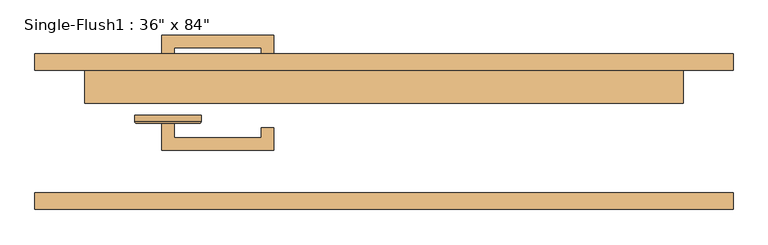
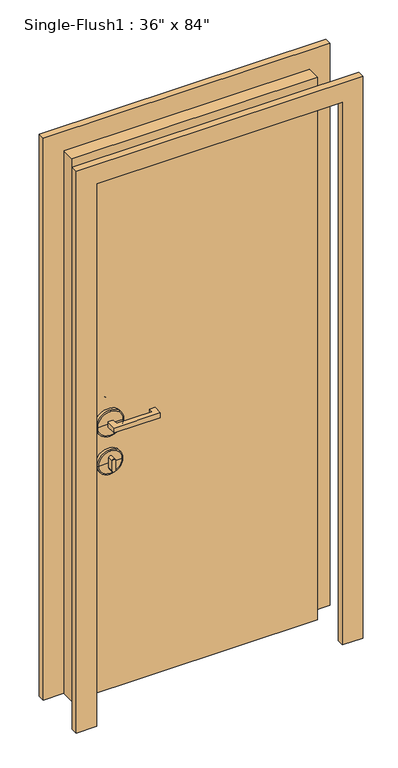
"""IFC4 building model written with IfcOpenShell, lengths in millimetres: door geometry."""

from ifc_helpers import new_model, si_unit, point, frame, frame_2d, origin, origin_with_axes, place, context, project, spatial, polyline, circle_curve, ellipse_curve, trimmed, segment, composite_curve, outline, extrude, source, transform, mapped, element, save
from ifc_brep_helpers import plane_surface, cylinder_surface, revolved_surface, advanced_brep


def door_00182edb(model_context):
    return source(origin(), model_context, "Body", "SolidModel", [
        extrude(outline(polyline([(-320.675, 12.7), (-320.675, -9.525), (-187.325, -9.525), (-187.325, 6.35), (-168.275, 6.35), (-168.275, -28.575), (-339.725, -28.575), (-339.725, 12.7), (-320.675, 12.7)])), frame((0.0, 0.0, 1057.275), z_axis=(0.0, 0.0, 1.0), x_axis=(1.0, 0.0, 0.0)), (0.0, 0.0, 1.0), 19.05),
        extrude(outline(composite_curve([segment(trimmed(circle_curve(frame_2d((895.35, -330.2)), 6.35), [point((895.35, -336.55))], [point((895.35, -323.85))], False, "CARTESIAN"), True, "CONTINUOUS"), segment(polyline([(895.35, -323.85), (933.45, -323.85)]), True, "CONTINUOUS"), segment(trimmed(circle_curve(frame_2d((933.45, -330.2)), 6.35), [point((933.45, -323.85))], [point((933.45, -336.55))], False, "CARTESIAN"), True, "CONTINUOUS"), segment(polyline([(933.45, -336.55), (895.35, -336.55)]), True, "CONTINUOUS")], self_intersect=False)), frame((0.0, -9.525, 0.0), z_axis=(0.0, 1.0, 0.0), x_axis=(0.0, 0.0, 1.0)), (0.0, 0.0, 1.0), 22.225),
        advanced_brep(
        [(-282.575, 15.875, 914.4), (-282.575, 25.4, 914.4), (-377.825, 25.4, 914.4), (-377.825, 15.875, 914.4), (-285.75, 12.7, 914.4), (-374.65, 12.7, 914.4), (-330.2, 12.7, 914.4), (-330.2, 25.4, 914.4)],
        [
            (0, 1),
            (1, 2, circle_curve(frame((-330.2, 25.4, 914.4), z_axis=(0.0, -1.0, 0.0), x_axis=(-1.0, 0.0, 0.0)), 47.625)),
            (2, 3),
            (3, 0, circle_curve(frame((-330.2, 15.875, 914.4), z_axis=(0.0, 1.0, 0.0), x_axis=(-1.0, 0.0, 0.0)), 47.625)),
            (2, 1, circle_curve(frame((-330.2, 25.4, 914.4), z_axis=(0.0, -1.0, 0.0), x_axis=(-1.0, 0.0, 0.0)), 47.625)),
            (0, 3, circle_curve(frame((-330.2, 15.875, 914.4), z_axis=(0.0, 1.0, 0.0), x_axis=(-1.0, 0.0, 0.0)), 47.625)),
            (4, 0, circle_curve(frame((-285.75, 15.875, 914.4), z_axis=(0.0, 0.0, 1.0), x_axis=(-1.0, 0.0, 0.0)), 3.175)),
            (3, 5, circle_curve(frame((-374.65, 15.875, 914.4), z_axis=(0.0, 0.0, 1.0), x_axis=(1.0, 0.0, 0.0)), 3.175)),
            (5, 4, circle_curve(frame((-330.2, 12.7, 914.4), z_axis=(0.0, 1.0, 0.0), x_axis=(-1.0, 0.0, 0.0)), 44.45)),
            (4, 5, circle_curve(frame((-330.2, 12.7, 914.4), z_axis=(0.0, 1.0, 0.0), x_axis=(-1.0, 0.0, 0.0)), 44.45)),
            (6, 4),
            (5, 6),
            (1, 7),
            (7, 2),
        ],
        [
            cylinder_surface(frame((-330.2, 152.4, 914.4), z_axis=(0.0, -1.0, 0.0), x_axis=(-1.0, 0.0, 0.0)), 47.625),
            revolved_surface(trimmed(ellipse_curve(frame((-374.65, 15.875, 914.4), z_axis=(0.0, 0.0, 1.0), x_axis=(1.0, 0.0, 0.0)), 3.175, 3.175), [point((-377.825, 15.875, 914.4))], [point((-374.65, 12.7, 914.4))], True, "CARTESIAN"), (-330.2, 152.4, 914.4), (0.0, -1.0, 0.0)),
            plane_surface(frame((-330.2, 12.7, 914.4), z_axis=(0.0, -1.0, 0.0), x_axis=(-1.0, 0.0, 0.0))),
            plane_surface(frame((-330.2, 25.4, 914.4), z_axis=(0.0, 1.0, 0.0), x_axis=(-1.0, 0.0, 0.0))),
        ],
        [
            (0, [[1, 2, 3, 4]]),
            (0, [[-3, 5, -1, 6]]),
            (1, [[7, -4, 8, 9]]),
            (1, [[-8, -6, -7, 10]]),
            (2, [[11, -9, 12]]),
            (2, [[-12, -10, -11]]),
            (3, [[13, 14, -2]]),
            (3, [[-14, -13, -5]]),
        ],
    ),
        advanced_brep(
        [(-279.4, 15.875, 1066.8), (-279.4, 25.4, 1066.8), (-381.0, 25.4, 1066.8), (-381.0, 15.875, 1066.8), (-282.575, 12.7, 1066.8), (-377.825, 12.7, 1066.8), (-330.2, 12.7, 1066.8), (-330.2, 25.4, 1066.8)],
        [
            (0, 1),
            (1, 2, circle_curve(frame((-330.2, 25.4, 1066.8), z_axis=(0.0, -1.0, 0.0), x_axis=(-1.0, 0.0, 0.0)), 50.8)),
            (2, 3),
            (3, 0, circle_curve(frame((-330.2, 15.875, 1066.8), z_axis=(0.0, 1.0, 0.0), x_axis=(-1.0, 0.0, 0.0)), 50.8)),
            (2, 1, circle_curve(frame((-330.2, 25.4, 1066.8), z_axis=(0.0, -1.0, 0.0), x_axis=(-1.0, 0.0, 0.0)), 50.8)),
            (0, 3, circle_curve(frame((-330.2, 15.875, 1066.8), z_axis=(0.0, 1.0, 0.0), x_axis=(-1.0, 0.0, 0.0)), 50.8)),
            (4, 0, circle_curve(frame((-282.575, 15.875, 1066.8), z_axis=(0.0, 0.0, 1.0), x_axis=(-1.0, 0.0, 0.0)), 3.175)),
            (3, 5, circle_curve(frame((-377.825, 15.875, 1066.8), z_axis=(0.0, 0.0, 1.0), x_axis=(1.0, 0.0, 0.0)), 3.175)),
            (5, 4, circle_curve(frame((-330.2, 12.7, 1066.8), z_axis=(0.0, 1.0, 0.0), x_axis=(-1.0, 0.0, 0.0)), 47.625)),
            (4, 5, circle_curve(frame((-330.2, 12.7, 1066.8), z_axis=(0.0, 1.0, 0.0), x_axis=(-1.0, 0.0, 0.0)), 47.625)),
            (6, 4),
            (5, 6),
            (1, 7),
            (7, 2),
        ],
        [
            cylinder_surface(frame((-330.2, 152.4, 1066.8), z_axis=(0.0, -1.0, 0.0), x_axis=(-1.0, 0.0, 0.0)), 50.8),
            revolved_surface(trimmed(ellipse_curve(frame((-377.825, 15.875, 1066.8), z_axis=(0.0, 0.0, 1.0), x_axis=(1.0, 0.0, 0.0)), 3.175, 3.175), [point((-381.0, 15.875, 1066.8))], [point((-377.825, 12.7, 1066.8))], True, "CARTESIAN"), (-330.2, 152.4, 1066.8), (0.0, -1.0, 0.0)),
            plane_surface(frame((-330.2, 12.7, 1066.8), z_axis=(0.0, -1.0, 0.0), x_axis=(-1.0, 0.0, 0.0))),
            plane_surface(frame((-330.2, 25.4, 1066.8), z_axis=(0.0, 1.0, 0.0), x_axis=(-1.0, 0.0, 0.0))),
        ],
        [
            (0, [[1, 2, 3, 4]]),
            (0, [[-3, 5, -1, 6]]),
            (1, [[7, -4, 8, 9]]),
            (1, [[-8, -6, -7, 10]]),
            (2, [[11, -9, 12]]),
            (2, [[-12, -10, -11]]),
            (3, [[13, 14, -2]]),
            (3, [[-14, -13, -5]]),
        ],
    ),
        extrude(outline(polyline([(-320.675, 106.3625), (-339.725, 106.3625), (-339.725, 147.6375), (-168.275, 147.6375), (-168.275, 112.7125), (-187.325, 112.7125), (-187.325, 128.5875), (-320.675, 128.5875), (-320.675, 106.3625)])), frame((0.0, 0.0, 1057.275), z_axis=(0.0, 0.0, 1.0), x_axis=(1.0, 0.0, 0.0)), (0.0, 0.0, 1.0), 19.05),
        extrude(outline(composite_curve([segment(trimmed(circle_curve(frame_2d((895.35, -330.2)), 6.35), [point((895.35, -336.55))], [point((895.35, -323.85))], False, "CARTESIAN"), True, "CONTINUOUS"), segment(polyline([(895.35, -323.85), (933.45, -323.85)]), True, "CONTINUOUS"), segment(trimmed(circle_curve(frame_2d((933.45, -330.2)), 6.35), [point((933.45, -323.85))], [point((933.45, -336.55))], False, "CARTESIAN"), True, "CONTINUOUS"), segment(polyline([(933.45, -336.55), (895.35, -336.55)]), True, "CONTINUOUS")], self_intersect=False)), frame((0.0, 106.3625, 0.0), z_axis=(0.0, 1.0, 0.0), x_axis=(0.0, 0.0, 1.0)), (0.0, 0.0, 1.0), 22.225),
        advanced_brep(
        [(-282.575, 103.1875, 914.4), (-377.825, 103.1875, 914.4), (-377.825, 93.6625, 914.4), (-282.575, 93.6625, 914.4), (-285.75, 106.3625, 914.4), (-374.65, 106.3625, 914.4), (-330.2, 106.3625, 914.4), (-330.2, 93.6625, 914.4)],
        [
            (0, 1, circle_curve(frame((-330.2, 103.1875, 914.4), z_axis=(0.0, -1.0, 0.0), x_axis=(-1.0, 0.0, 0.0)), 47.625)),
            (1, 2),
            (2, 3, circle_curve(frame((-330.2, 93.6625, 914.4), z_axis=(0.0, 1.0, 0.0), x_axis=(-1.0, 0.0, 0.0)), 47.625)),
            (3, 0),
            (1, 0, circle_curve(frame((-330.2, 103.1875, 914.4), z_axis=(0.0, -1.0, 0.0), x_axis=(-1.0, 0.0, 0.0)), 47.625)),
            (3, 2, circle_curve(frame((-330.2, 93.6625, 914.4), z_axis=(0.0, 1.0, 0.0), x_axis=(-1.0, 0.0, 0.0)), 47.625)),
            (4, 5, circle_curve(frame((-330.2, 106.3625, 914.4), z_axis=(0.0, -1.0, 0.0), x_axis=(-1.0, 0.0, 0.0)), 44.45)),
            (5, 1, circle_curve(frame((-374.65, 103.1875, 914.4), z_axis=(0.0, 0.0, 1.0), x_axis=(1.0, 0.0, 0.0)), 3.175)),
            (0, 4, circle_curve(frame((-285.75, 103.1875, 914.4), z_axis=(0.0, 0.0, 1.0), x_axis=(-1.0, 0.0, 0.0)), 3.175)),
            (5, 4, circle_curve(frame((-330.2, 106.3625, 914.4), z_axis=(0.0, -1.0, 0.0), x_axis=(-1.0, 0.0, 0.0)), 44.45)),
            (6, 5),
            (4, 6),
            (2, 7),
            (7, 3),
        ],
        [
            cylinder_surface(frame((-330.2, -33.3375, 914.4), z_axis=(0.0, 1.0, 0.0), x_axis=(-1.0, 0.0, 0.0)), 47.625),
            revolved_surface(trimmed(ellipse_curve(frame((-374.65, 103.1875, 914.4), z_axis=(0.0, 0.0, -1.0), x_axis=(1.0, 0.0, 0.0)), 3.175, 3.175), [point((-377.825, 103.1875, 914.4))], [point((-374.65, 106.3625, 914.4))], True, "CARTESIAN"), (-330.2, -33.3375, 914.4), (0.0, 1.0, 0.0)),
            plane_surface(frame((-330.2, 106.3625, 914.4), z_axis=(0.0, 1.0, 0.0), x_axis=(-1.0, 0.0, 0.0))),
            plane_surface(frame((-330.2, 93.6625, 914.4), z_axis=(0.0, -1.0, 0.0), x_axis=(-1.0, 0.0, 0.0))),
        ],
        [
            (0, [[1, 2, 3, 4]]),
            (0, [[5, -4, 6, -2]]),
            (1, [[7, 8, -1, 9]]),
            (1, [[10, -9, -5, -8]]),
            (2, [[11, -7, 12]]),
            (2, [[-12, -10, -11]]),
            (3, [[-3, 13, 14]]),
            (3, [[-6, -14, -13]]),
        ],
    ),
        advanced_brep(
        [(-279.4, 103.1875, 1066.8), (-381.0, 103.1875, 1066.8), (-381.0, 93.6625, 1066.8), (-279.4, 93.6625, 1066.8), (-282.575, 106.3625, 1066.8), (-377.825, 106.3625, 1066.8), (-330.2, 106.3625, 1066.8), (-330.2, 93.6625, 1066.8)],
        [
            (0, 1, circle_curve(frame((-330.2, 103.1875, 1066.8), z_axis=(0.0, -1.0, 0.0), x_axis=(-1.0, 0.0, 0.0)), 50.8)),
            (1, 2),
            (2, 3, circle_curve(frame((-330.2, 93.6625, 1066.8), z_axis=(0.0, 1.0, 0.0), x_axis=(-1.0, 0.0, 0.0)), 50.8)),
            (3, 0),
            (1, 0, circle_curve(frame((-330.2, 103.1875, 1066.8), z_axis=(0.0, -1.0, 0.0), x_axis=(-1.0, 0.0, 0.0)), 50.8)),
            (3, 2, circle_curve(frame((-330.2, 93.6625, 1066.8), z_axis=(0.0, 1.0, 0.0), x_axis=(-1.0, 0.0, 0.0)), 50.8)),
            (4, 5, circle_curve(frame((-330.2, 106.3625, 1066.8), z_axis=(0.0, -1.0, 0.0), x_axis=(-1.0, 0.0, 0.0)), 47.625)),
            (5, 1, circle_curve(frame((-377.825, 103.1875, 1066.8), z_axis=(0.0, 0.0, 1.0), x_axis=(1.0, 0.0, 0.0)), 3.175)),
            (0, 4, circle_curve(frame((-282.575, 103.1875, 1066.8), z_axis=(0.0, 0.0, 1.0), x_axis=(-1.0, 0.0, 0.0)), 3.175)),
            (5, 4, circle_curve(frame((-330.2, 106.3625, 1066.8), z_axis=(0.0, -1.0, 0.0), x_axis=(-1.0, 0.0, 0.0)), 47.625)),
            (6, 5),
            (4, 6),
            (2, 7),
            (7, 3),
        ],
        [
            cylinder_surface(frame((-330.2, -33.3375, 1066.8), z_axis=(0.0, 1.0, 0.0), x_axis=(-1.0, 0.0, 0.0)), 50.8),
            revolved_surface(trimmed(ellipse_curve(frame((-377.825, 103.1875, 1066.8), z_axis=(0.0, 0.0, -1.0), x_axis=(1.0, 0.0, 0.0)), 3.175, 3.175), [point((-381.0, 103.1875, 1066.8))], [point((-377.825, 106.3625, 1066.8))], True, "CARTESIAN"), (-330.2, -33.3375, 1066.8), (0.0, 1.0, 0.0)),
            plane_surface(frame((-330.2, 106.3625, 1066.8), z_axis=(0.0, 1.0, 0.0), x_axis=(-1.0, 0.0, 0.0))),
            plane_surface(frame((-330.2, 93.6625, 1066.8), z_axis=(0.0, -1.0, 0.0), x_axis=(-1.0, 0.0, 0.0))),
        ],
        [
            (0, [[1, 2, 3, 4]]),
            (0, [[5, -4, 6, -2]]),
            (1, [[7, 8, -1, 9]]),
            (1, [[10, -9, -5, -8]]),
            (2, [[11, -7, 12]]),
            (2, [[-12, -10, -11]]),
            (3, [[-3, 13, 14]]),
            (3, [[-6, -14, -13]]),
        ],
    ),
        extrude(outline(polyline([(2209.8, -533.4), (0.0, -533.4), (0.0, -457.2), (2133.6, -457.2), (2133.6, 457.2), (0.0, 457.2), (0.0, 533.4), (2209.8, 533.4), (2209.8, -533.4)])), frame((0.0, 93.6625, 0.0), z_axis=(0.0, 1.0, 0.0), x_axis=(0.0, 0.0, 1.0)), (0.0, 0.0, 1.0), 25.4),
        extrude(outline(polyline([(2209.8, 533.4), (2209.8, -533.4), (0.0, -533.4), (0.0, -457.2), (2133.6, -457.2), (2133.6, 457.2), (0.0, 457.2), (0.0, 533.4), (2209.8, 533.4)])), frame((0.0, -119.0625, 0.0), z_axis=(0.0, 1.0, 0.0), x_axis=(0.0, 0.0, 1.0)), (0.0, 0.0, 1.0), 25.4),
        extrude(outline(polyline([(457.2, 42.8625), (-457.2, 42.8625), (-457.2, 93.6625), (457.2, 93.6625), (457.2, 42.8625)])), origin_with_axes(), (0.0, 0.0, 1.0), 2133.6),
    ])


if __name__ == "__main__":
    model = new_model("IFC4")
    model_context = context("Model", 3, world=origin())
    ifc_project = project(units=[si_unit("LENGTHUNIT", "METRE", prefix="MILLI")], contexts=[model_context])
    site = spatial("IfcSite", under=ifc_project)
    building = spatial("IfcBuilding", under=site)
    placement = place(None, origin())
    door_shape = door_00182edb(model_context)
    element("IfcDoor", 1, ObjectType="Single-Flush1 : 36\" x 84\"", at=placement, inside=building, context=model_context, shape_type="MappedRepresentation", body=[
        mapped(door_shape, transform((0.0, 0.0, 0.0), x_axis=(1.0, 0.0, 0.0), y_axis=(0.0, 1.0, 0.0), z_axis=(0.0, 0.0, 1.0))),
    ])
    save(model, "model.ifc")
